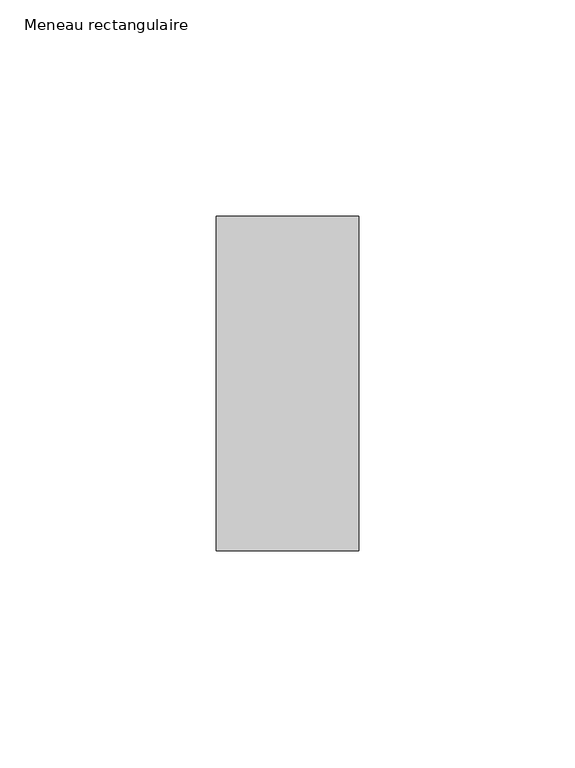
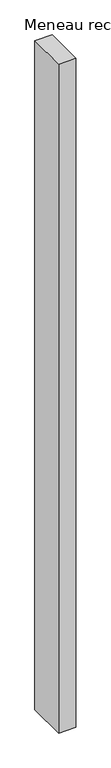
"""IFC4 building model written with IfcOpenShell, lengths in millimetres: member geometry, Meneau rectangulaire."""

from ifc_helpers import new_model, si_unit, frame, origin, place, context, project, spatial, polyline, outline, extrude, source, transform, mapped, element, save


def meneau_rectangulaire_8793b10a(model_context):
    return source(origin(), model_context, "Body", "SweptSolid", [
        extrude(outline(polyline([(0.0, 38.75), (0.0, -38.75), (-33.0, -38.75), (-33.0, 38.75), (0.0, 38.75)])), frame((0.0, 0.0, -1341.3333335), z_axis=(0.0, 0.0, 1.0), x_axis=(1.0, 0.0, 0.0)), (0.0, 0.0, 1.0), 1341.3333335),
    ])


if __name__ == "__main__":
    model = new_model("IFC4")
    model_context = context("Model", 3, world=origin())
    ifc_project = project(units=[si_unit("LENGTHUNIT", "METRE", prefix="MILLI")], contexts=[model_context])
    site = spatial("IfcSite", under=ifc_project)
    building = spatial("IfcBuilding", under=site)
    placement = place(None, origin())
    meneau_rectangulaire_shape = meneau_rectangulaire_8793b10a(model_context)
    element("IfcMember", 1, ObjectType="Meneau rectangulaire", at=placement, inside=building, context=model_context, shape_type="MappedRepresentation", body=[
        mapped(meneau_rectangulaire_shape, transform((0.0, 0.0, 0.0), x_axis=(1.0, 0.0, 0.0), y_axis=(0.0, 1.0, 0.0), z_axis=(0.0, 0.0, 1.0))),
    ])
    save(model, "model.ifc")
